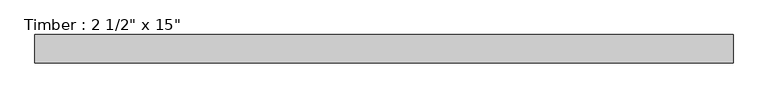
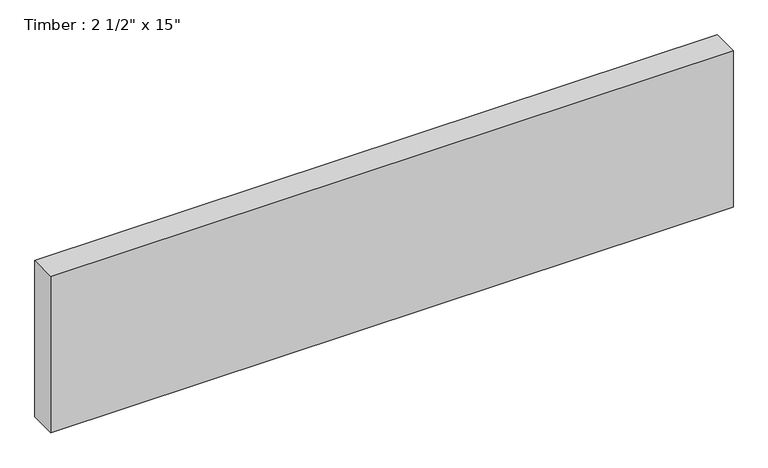
"""IFC4 building model written with IfcOpenShell, lengths in millimetres: beam geometry."""

from ifc_helpers import new_model, si_unit, frame, origin, place, context, project, spatial, polyline, outline, extrude, source, transform, mapped, element, save


def beam_a1e3d984(model_context):
    return source(origin(), model_context, "Body", "SweptSolid", [
        extrude(outline(polyline([(785.8125, 31.75), (785.8125, -31.75), (-785.8125, -31.75), (-785.8125, 31.75), (785.8125, 31.75)])), frame((0.0, 0.0, -190.5), z_axis=(0.0, 0.0, 1.0), x_axis=(1.0, 0.0, 0.0)), (0.0, 0.0, 1.0), 381.0),
    ])


if __name__ == "__main__":
    model = new_model("IFC4")
    model_context = context("Model", 3, world=origin())
    ifc_project = project(units=[si_unit("LENGTHUNIT", "METRE", prefix="MILLI")], contexts=[model_context])
    site = spatial("IfcSite", under=ifc_project)
    building = spatial("IfcBuilding", under=site)
    placement = place(None, origin())
    beam_shape = beam_a1e3d984(model_context)
    element("IfcBeam", 1, ObjectType="Timber : 2 1/2\" x 15\"", at=placement, inside=building, context=model_context, shape_type="MappedRepresentation", body=[
        mapped(beam_shape, transform((0.0, 0.0, 0.0), x_axis=(1.0, 0.0, 0.0), y_axis=(0.0, 1.0, 0.0), z_axis=(0.0, 0.0, 1.0))),
    ])
    save(model, "model.ifc")
